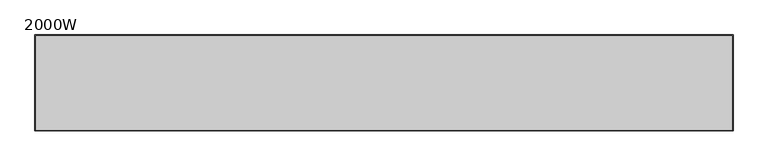
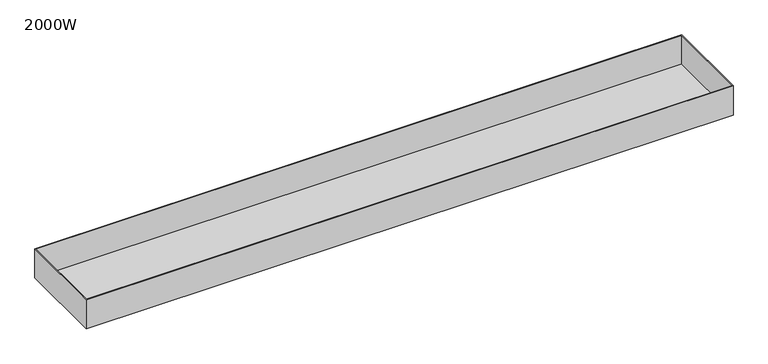
"""IFC4 building model written with IfcOpenShell, lengths in millimetres: furniture geometry, 2000W."""

from ifc_helpers import new_model, si_unit, origin, place, context, project, spatial, faceted_brep, source, transform, mapped, element, save


def furniture_2000w_efd6837d(model_context):
    return source(origin(), model_context, "Body", "Brep", [
        faceted_brep([(-910.0, 125.0, 435.0), (-910.0, -125.0, 435.0), (-910.0, -125.0, 522.0), (-910.0, 125.0, 522.0), (910.0, 125.0, 435.0), (910.0, 125.0, 522.0), (910.0, -125.0, 522.0), (910.0, -125.0, 435.0), (-908.0, -123.0, 522.0), (-908.0, 123.0, 522.0), (908.0, 123.0, 522.0), (908.0, -123.0, 522.0), (908.0, -123.0, 437.0), (908.0, 123.0, 437.0), (-908.0, 123.0, 437.0), (-908.0, -123.0, 437.0)], [[[0, 1, 2, 3]], [[4, 5, 6, 7]], [[3, 5, 4, 0]], [[2, 6, 5, 3], [8, 9, 10, 11]], [[1, 7, 6, 2]], [[0, 4, 7, 1]], [[12, 13, 14, 15]], [[15, 8, 11, 12]], [[14, 9, 8, 15]], [[13, 10, 9, 14]], [[12, 11, 10, 13]]]),
    ])


if __name__ == "__main__":
    model = new_model("IFC4")
    model_context = context("Model", 3, world=origin())
    ifc_project = project(units=[si_unit("LENGTHUNIT", "METRE", prefix="MILLI")], contexts=[model_context])
    site = spatial("IfcSite", under=ifc_project)
    building = spatial("IfcBuilding", under=site)
    placement = place(None, origin())
    furniture_2000w_shape = furniture_2000w_efd6837d(model_context)
    element("IfcFurniture", 1, ObjectType="2000W", at=placement, inside=building, context=model_context, shape_type="MappedRepresentation", body=[
        mapped(furniture_2000w_shape, transform((0.0, 0.0, 0.0), x_axis=(1.0, 0.0, 0.0), y_axis=(0.0, 1.0, 0.0), z_axis=(0.0, 0.0, 1.0))),
    ])
    save(model, "model.ifc")
